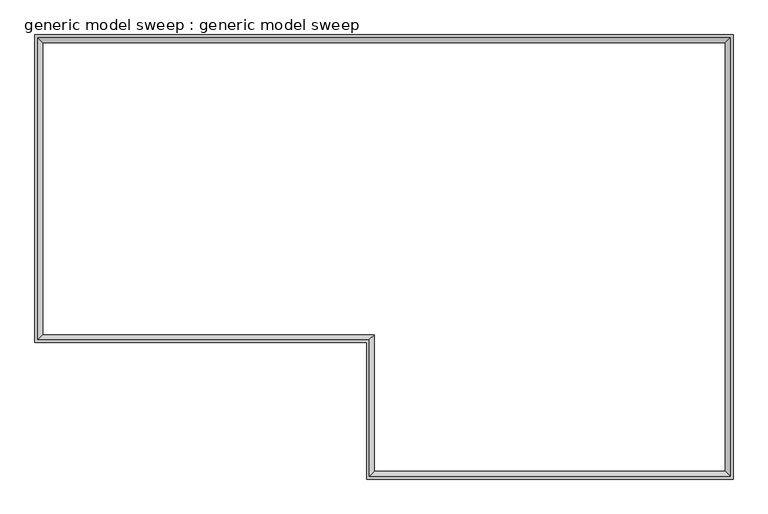
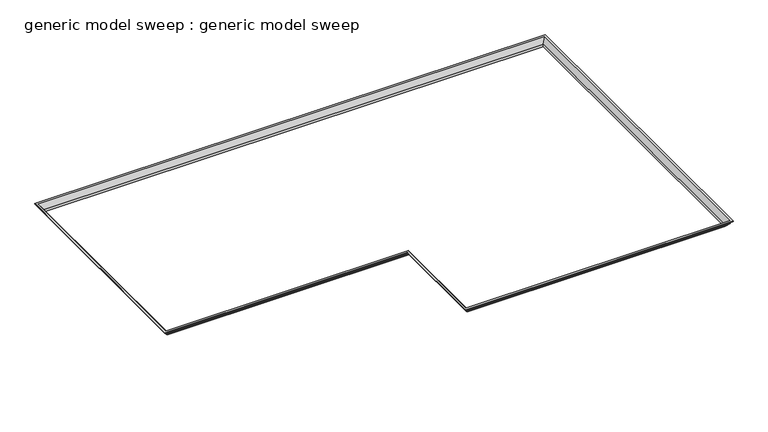
"""IFC4 building model written with IfcOpenShell, lengths in millimetres: proxy geometry, generic model sweep : generic model sweep."""

from ifc_helpers import new_model, si_unit, frame, origin, place, context, project, spatial, polyline, ellipse_curve, source, transform, mapped, element, save
from ifc_brep_helpers import plane_surface, cylinder_surface, revolved_surface, advanced_brep


def generic_model_sweep_generic_model_sweep_c4ae6101(model_context):
    return source(origin(), model_context, "Body", "AdvancedBrep", [
        advanced_brep(
        [(-2935.1800097, -4672.923027, 2466.4472073), (-2972.3183668, -4710.061384, 2514.6778301), (-381.5183668, -4710.061384, 2514.6778301), (-344.3800097, -4672.923027, 2466.4472073), (-2935.1800097, -4672.923027, 2438.4), (-344.3800097, -4672.923027, 2438.4), (-2939.8014379, -4677.5444552, 2441.3317669), (-2939.8014379, -4677.5444552, 2438.4), (-349.0014379, -4677.5444552, 2438.4), (-349.0014379, -4677.5444552, 2441.3317669), (-2942.8448516, -4680.5878688, 2447.1954176), (-352.0448516, -4680.5878688, 2447.1954176), (-2949.4774395, -4687.2204567, 2455.8089878), (-358.6774395, -4687.2204567, 2455.8089878), (-2953.6819274, -4691.4249446, 2461.1536248), (-2953.7338171, -4691.4768343, 2455.8089878), (-362.9338171, -4691.4768343, 2455.8089878), (-362.8819274, -4691.4249446, 2461.1536248), (-2964.4500559, -4702.1930731, 2475.1379145), (-373.6500559, -4702.1930731, 2475.1379145), (-2968.2629276, -4706.0059448, 2475.2157282), (-377.4629276, -4706.0059448, 2475.2157282), (-2968.2629276, -4706.0059448, 2481.0792621), (-377.4629276, -4706.0059448, 2481.0792621), (-2977.60307, -4715.3460873, 2488.4475967), (-386.80307, -4715.3460873, 2488.4475967), (-2979.7046021, -4717.4476193, 2497.2428975), (-388.9046021, -4717.4476193, 2497.2428975), (-2991.3797802, -4729.1227974, 2504.6631218), (-400.5797802, -4729.1227974, 2504.6631218), (-2991.3797802, -4729.1227974, 2509.8520898), (-400.5797802, -4729.1227974, 2509.8520898), (-2995.5050097, -4733.248027, 2514.6778301), (-2995.5050097, -4733.248027, 2509.8520898), (-404.7050097, -4733.248027, 2509.8520898), (-404.7050097, -4733.248027, 2514.6778301), (-381.5183668, -5776.861384, 2514.6778301), (-344.3800097, -5739.723027, 2466.4472073), (-344.3800097, -5739.723027, 2438.4), (-349.0014379, -5744.3444552, 2438.4), (-349.0014379, -5744.3444552, 2441.3317669), (-352.0448516, -5747.3878688, 2447.1954176), (-358.6774395, -5754.0204567, 2455.8089878), (-362.9338171, -5758.2768343, 2455.8089878), (-362.8819274, -5758.2249446, 2461.1536248), (-373.6500559, -5768.9930731, 2475.1379145), (-377.4629276, -5772.8059448, 2475.2157282), (-377.4629276, -5772.8059448, 2481.0792621), (-386.80307, -5782.1460873, 2488.4475967), (-388.9046021, -5784.2476193, 2497.2428975), (-400.5797802, -5795.9227974, 2504.6631218), (-400.5797802, -5795.9227974, 2509.8520898), (-404.7050097, -5800.048027, 2509.8520898), (-404.7050097, -5800.048027, 2514.6778301), (2435.9583473, -5776.861384, 2514.6778301), (2398.8199903, -5739.723027, 2466.4472073), (2398.8199903, -5739.723027, 2438.4), (2403.4414184, -5744.3444552, 2438.4), (2403.4414184, -5744.3444552, 2441.3317669), (2406.4848321, -5747.3878688, 2447.1954176), (2413.11742, -5754.0204567, 2455.8089878), (2417.3737976, -5758.2768343, 2455.8089878), (2417.3219079, -5758.2249446, 2461.1536248), (2428.0900364, -5768.9930731, 2475.1379145), (2431.9029081, -5772.8059448, 2475.2157282), (2431.9029081, -5772.8059448, 2481.0792621), (2441.2430505, -5782.1460873, 2488.4475967), (2443.3445826, -5784.2476193, 2497.2428975), (2455.0197607, -5795.9227974, 2504.6631218), (2455.0197607, -5795.9227974, 2509.8520898), (2459.1449903, -5800.048027, 2509.8520898), (2459.1449903, -5800.048027, 2514.6778301), (2435.9583473, -2349.78467, 2514.6778301), (2398.8199903, -2386.923027, 2466.4472073), (2398.8199903, -2386.923027, 2438.4), (2403.4414184, -2382.3015989, 2438.4), (2403.4414184, -2382.3015989, 2441.3317669), (2406.4848321, -2379.2581852, 2447.1954176), (2413.11742, -2372.6255973, 2455.8089878), (2417.3737976, -2368.3692197, 2455.8089878), (2417.3219079, -2368.4211094, 2461.1536248), (2428.0900364, -2357.6529809, 2475.1379145), (2431.9029081, -2353.8401092, 2475.2157282), (2431.9029081, -2353.8401092, 2481.0792621), (2441.2430505, -2344.4999667, 2488.4475967), (2443.3445826, -2342.3984347, 2497.2428975), (2455.0197607, -2330.7232566, 2504.6631218), (2455.0197607, -2330.7232566, 2509.8520898), (2459.1449903, -2326.598027, 2509.8520898), (2459.1449903, -2326.598027, 2514.6778301), (-2972.3183668, -2349.78467, 2514.6778301), (-2935.1800097, -2386.923027, 2466.4472073), (-2935.1800097, -2386.923027, 2438.4), (-2939.8014379, -2382.3015989, 2438.4), (-2939.8014379, -2382.3015989, 2441.3317669), (-2942.8448516, -2379.2581852, 2447.1954176), (-2949.4774395, -2372.6255973, 2455.8089878), (-2953.7338171, -2368.3692197, 2455.8089878), (-2953.6819274, -2368.4211094, 2461.1536248), (-2964.4500559, -2357.6529809, 2475.1379145), (-2968.2629276, -2353.8401092, 2475.2157282), (-2968.2629276, -2353.8401092, 2481.0792621), (-2977.60307, -2344.4999667, 2488.4475967), (-2979.7046021, -2342.3984347, 2497.2428975), (-2991.3797802, -2330.7232566, 2504.6631218), (-2991.3797802, -2330.7232566, 2509.8520898), (-2995.5050097, -2326.598027, 2509.8520898), (-2995.5050097, -2326.598027, 2514.6778301)],
        [
            (0, 1),
            (1, 2),
            (2, 3),
            (3, 0),
            (4, 0),
            (3, 5),
            (5, 4),
            (6, 7),
            (7, 8),
            (8, 9),
            (9, 6),
            (10, 6, ellipse_curve(frame((-2944.8968983, -4682.6399156, 2442.408705), z_axis=(-0.7071067811865464, 0.7071067811865486, 0.0), x_axis=(0.7071067811865488, 0.7071067811865461, 0.0)), 7.365258, 5.2080239)),
            (9, 11, ellipse_curve(frame((-354.0968983, -4682.6399156, 2442.408705), z_axis=(0.7071067811865464, -0.7071067811865487, 0.0), x_axis=(0.7071067811865487, 0.7071067811865462, 0.0)), 7.365258, 5.2080239)),
            (11, 10),
            (12, 10, ellipse_curve(frame((-2938.7418955, -4676.4849128, 2457.2151448), z_axis=(0.7071067811865464, -0.7071067811865486, 0.0), x_axis=(-0.7071067811865488, -0.7071067811865461, 0.0)), 15.3120333, 10.8272426)),
            (11, 13, ellipse_curve(frame((-347.9418955, -4676.4849128, 2457.2151448), z_axis=(-0.7071067811865464, 0.7071067811865487, 0.0), x_axis=(-0.7071067811865487, -0.7071067811865462, 0.0)), 15.3120333, 10.8272426)),
            (13, 12),
            (14, 15),
            (15, 16),
            (16, 17),
            (17, 14),
            (18, 14, ellipse_curve(frame((-2950.1833727, -4687.92639, 2474.9855294), z_axis=(0.7071067811865464, -0.7071067811865486, 0.0), x_axis=(-0.7071067811865488, -0.7071067811865461, 0.0)), 20.1772876, 14.2674969)),
            (17, 19, ellipse_curve(frame((-359.3833727, -4687.92639, 2474.9855294), z_axis=(-0.7071067811865464, 0.7071067811865487, 0.0), x_axis=(-0.7071067811865487, -0.7071067811865462, 0.0)), 20.1772876, 14.2674969)),
            (19, 18),
            (20, 18),
            (19, 21),
            (21, 20),
            (22, 20),
            (21, 23),
            (23, 22),
            (24, 22, ellipse_curve(frame((-2968.5430193, -4706.2860366, 2490.3281921), z_axis=(0.7071067811865464, -0.7071067811865486, 0.0), x_axis=(-0.7071067811865488, -0.7071067811865461, 0.0)), 13.0859588, 9.2531702)),
            (23, 25, ellipse_curve(frame((-377.7430193, -4706.2860366, 2490.3281921), z_axis=(-0.7071067811865464, 0.7071067811865487, 0.0), x_axis=(-0.7071067811865487, -0.7071067811865462, 0.0)), 13.0859588, 9.2531702)),
            (25, 24),
            (26, 24),
            (25, 27),
            (27, 26),
            (28, 26, ellipse_curve(frame((-2990.2996678, -4728.042685, 2493.4674695), z_axis=(-0.7071067811865464, 0.7071067811865486, 0.0), x_axis=(0.7071067811865488, 0.7071067811865461, 0.0)), 15.9065567, 11.2476341)),
            (27, 29, ellipse_curve(frame((-399.4996678, -4728.042685, 2493.4674695), z_axis=(0.7071067811865464, -0.7071067811865487, 0.0), x_axis=(0.7071067811865487, 0.7071067811865462, 0.0)), 15.9065567, 11.2476341)),
            (29, 28),
            (30, 28),
            (29, 31),
            (31, 30),
            (32, 33),
            (33, 34),
            (34, 35),
            (35, 32),
            (2, 36),
            (36, 37),
            (37, 3),
            (37, 38),
            (38, 5),
            (8, 39),
            (39, 40),
            (40, 9),
            (40, 41, ellipse_curve(frame((-354.0968983, -5749.4399156, 2442.408705), z_axis=(0.7071067811865464, -0.7071067811865487, 0.0), x_axis=(-0.7071067811865486, -0.7071067811865465, 0.0)), 7.365258, 5.2080239)),
            (41, 11),
            (41, 42, ellipse_curve(frame((-347.9418955, -5743.2849128, 2457.2151448), z_axis=(-0.7071067811865464, 0.7071067811865487, 0.0), x_axis=(0.7071067811865486, 0.7071067811865465, 0.0)), 15.3120333, 10.8272426)),
            (42, 13),
            (16, 43),
            (43, 44),
            (44, 17),
            (44, 45, ellipse_curve(frame((-359.3833727, -5754.72639, 2474.9855294), z_axis=(-0.7071067811865464, 0.7071067811865487, 0.0), x_axis=(0.7071067811865486, 0.7071067811865465, 0.0)), 20.1772876, 14.2674969)),
            (45, 19),
            (45, 46),
            (46, 21),
            (46, 47),
            (47, 23),
            (47, 48, ellipse_curve(frame((-377.7430193, -5773.0860366, 2490.3281921), z_axis=(-0.7071067811865464, 0.7071067811865487, 0.0), x_axis=(0.7071067811865486, 0.7071067811865465, 0.0)), 13.0859588, 9.2531702)),
            (48, 25),
            (48, 49),
            (49, 27),
            (49, 50, ellipse_curve(frame((-399.4996678, -5794.842685, 2493.4674695), z_axis=(0.7071067811865464, -0.7071067811865487, 0.0), x_axis=(-0.7071067811865486, -0.7071067811865465, 0.0)), 15.9065567, 11.2476341)),
            (50, 29),
            (50, 51),
            (51, 31),
            (34, 52),
            (52, 53),
            (53, 35),
            (36, 54),
            (54, 55),
            (55, 37),
            (55, 56),
            (56, 38),
            (39, 57),
            (57, 58),
            (58, 40),
            (58, 59, ellipse_curve(frame((2408.5368788, -5749.4399156, 2442.408705), z_axis=(0.7071067811865486, 0.7071067811865464, 0.0), x_axis=(0.7071067811865466, -0.7071067811865483, 0.0)), 7.365258, 5.2080239)),
            (59, 41),
            (59, 60, ellipse_curve(frame((2402.381876, -5743.2849128, 2457.2151448), z_axis=(-0.7071067811865486, -0.7071067811865464, 0.0), x_axis=(-0.7071067811865466, 0.7071067811865483, 0.0)), 15.3120333, 10.8272426)),
            (60, 42),
            (43, 61),
            (61, 62),
            (62, 44),
            (62, 63, ellipse_curve(frame((2413.8233533, -5754.72639, 2474.9855294), z_axis=(-0.7071067811865486, -0.7071067811865464, 0.0), x_axis=(-0.7071067811865466, 0.7071067811865483, 0.0)), 20.1772876, 14.2674969)),
            (63, 45),
            (63, 64),
            (64, 46),
            (64, 65),
            (65, 47),
            (65, 66, ellipse_curve(frame((2432.1829998, -5773.0860366, 2490.3281921), z_axis=(-0.7071067811865486, -0.7071067811865464, 0.0), x_axis=(-0.7071067811865466, 0.7071067811865483, 0.0)), 13.0859588, 9.2531702)),
            (66, 48),
            (66, 67),
            (67, 49),
            (67, 68, ellipse_curve(frame((2453.9396483, -5794.842685, 2493.4674695), z_axis=(0.7071067811865486, 0.7071067811865464, 0.0), x_axis=(0.7071067811865466, -0.7071067811865483, 0.0)), 15.9065567, 11.2476341)),
            (68, 50),
            (68, 69),
            (69, 51),
            (52, 70),
            (70, 71),
            (71, 53),
            (54, 72),
            (72, 73),
            (73, 55),
            (73, 74),
            (74, 56),
            (57, 75),
            (75, 76),
            (76, 58),
            (76, 77, ellipse_curve(frame((2408.5368788, -2377.2061384, 2442.408705), z_axis=(-0.7071067811865458, 0.7071067811865491, 0.0), x_axis=(0.7071067811865489, 0.707106781186546, 0.0)), 7.365258, 5.2080239)),
            (77, 59),
            (77, 78, ellipse_curve(frame((2402.381876, -2383.3611412, 2457.2151448), z_axis=(0.7071067811865458, -0.7071067811865491, 0.0), x_axis=(-0.7071067811865489, -0.707106781186546, 0.0)), 15.3120333, 10.8272426)),
            (78, 60),
            (61, 79),
            (79, 80),
            (80, 62),
            (80, 81, ellipse_curve(frame((2413.8233533, -2371.919664, 2474.9855294), z_axis=(0.7071067811865458, -0.7071067811865491, 0.0), x_axis=(-0.7071067811865489, -0.707106781186546, 0.0)), 20.1772876, 14.2674969)),
            (81, 63),
            (81, 82),
            (82, 64),
            (82, 83),
            (83, 65),
            (83, 84, ellipse_curve(frame((2432.1829998, -2353.5600174, 2490.3281921), z_axis=(0.7071067811865458, -0.7071067811865491, 0.0), x_axis=(-0.7071067811865489, -0.707106781186546, 0.0)), 13.0859588, 9.2531702)),
            (84, 66),
            (84, 85),
            (85, 67),
            (85, 86, ellipse_curve(frame((2453.9396483, -2331.803369, 2493.4674695), z_axis=(-0.7071067811865458, 0.7071067811865491, 0.0), x_axis=(0.7071067811865489, 0.707106781186546, 0.0)), 15.9065567, 11.2476341)),
            (86, 68),
            (86, 87),
            (87, 69),
            (70, 88),
            (88, 89),
            (89, 71),
            (72, 90),
            (90, 91),
            (91, 73),
            (91, 92),
            (92, 74),
            (75, 93),
            (93, 94),
            (94, 76),
            (94, 95, ellipse_curve(frame((-2944.8968983, -2377.2061384, 2442.408705), z_axis=(-0.7071067811865492, -0.7071067811865458, 0.0), x_axis=(-0.7071067811865457, 0.7071067811865492, 0.0)), 7.365258, 5.2080239)),
            (95, 77),
            (95, 96, ellipse_curve(frame((-2938.7418955, -2383.3611412, 2457.2151448), z_axis=(0.7071067811865492, 0.7071067811865458, 0.0), x_axis=(0.7071067811865457, -0.7071067811865492, 0.0)), 15.3120333, 10.8272426)),
            (96, 78),
            (79, 97),
            (97, 98),
            (98, 80),
            (98, 99, ellipse_curve(frame((-2950.1833727, -2371.919664, 2474.9855294), z_axis=(0.7071067811865492, 0.7071067811865458, 0.0), x_axis=(0.7071067811865457, -0.7071067811865492, 0.0)), 20.1772876, 14.2674969)),
            (99, 81),
            (99, 100),
            (100, 82),
            (100, 101),
            (101, 83),
            (101, 102, ellipse_curve(frame((-2968.5430193, -2353.5600174, 2490.3281921), z_axis=(0.7071067811865492, 0.7071067811865458, 0.0), x_axis=(0.7071067811865457, -0.7071067811865492, 0.0)), 13.0859588, 9.2531702)),
            (102, 84),
            (102, 103),
            (103, 85),
            (103, 104, ellipse_curve(frame((-2990.2996678, -2331.803369, 2493.4674695), z_axis=(-0.7071067811865492, -0.7071067811865458, 0.0), x_axis=(-0.7071067811865457, 0.7071067811865492, 0.0)), 15.9065567, 11.2476341)),
            (104, 86),
            (104, 105),
            (105, 87),
            (88, 106),
            (106, 107),
            (107, 89),
            (90, 1),
            (0, 91),
            (4, 92),
            (7, 93),
            (6, 94),
            (10, 95),
            (12, 96),
            (15, 97),
            (14, 98),
            (18, 99),
            (20, 100),
            (22, 101),
            (24, 102),
            (26, 103),
            (28, 104),
            (30, 105),
            (33, 106),
            (32, 107),
        ],
        [
            plane_surface(frame((-2972.3183668, -4710.061384, 2514.6778301), z_axis=(0.0, 0.7923231761643797, 0.6101016181856833), x_axis=(1.0, 0.0, 0.0))),
            plane_surface(frame((-2935.1800097, -4672.923027, 2466.4472073), z_axis=(0.0, 1.0, 0.0), x_axis=(1.0, 0.0, 0.0))),
            plane_surface(frame((-2939.8014379, -4677.5444552, 2438.4), z_axis=(0.0, -1.0, 0.0), x_axis=(1.0, 0.0, 0.0))),
            revolved_surface(polyline([(-348.8888744230112, -4687.8479394999995, 2442.408705), (-2950.1049221769886, -4687.8479394999995, 2442.408705)]), (-2935.1800097, -4682.6399156, 2442.408705), (1.0, 0.0, 0.0)),
            cylinder_surface(frame((-2935.1800097, -4676.4849128, 2457.2151448), z_axis=(-1.0, 0.0, 0.0), x_axis=(0.0, -1.0, 0.0)), 10.8272426),
            plane_surface(frame((-2953.7338171, -4691.4768343, 2455.8089878), z_axis=(0.0, -0.9999528735361081, 0.009708280325592662), x_axis=(1.0, 0.0, 0.0))),
            cylinder_surface(frame((-2935.1800097, -4687.92639, 2474.9855294), z_axis=(-1.0, 0.0, 0.0), x_axis=(0.0, -1.0, 0.0)), 14.2674969),
            plane_surface(frame((-2964.4500559, -4702.1930731, 2475.1379145), z_axis=(0.0, -0.020403914662521092, -0.9997918184634462), x_axis=(1.0, 0.0, 0.0))),
            plane_surface(frame((-2968.2629276, -4706.0059448, 2475.2157282), z_axis=(0.0, -1.0, 0.0), x_axis=(1.0, 0.0, 0.0))),
            cylinder_surface(frame((-2935.1800097, -4706.2860366, 2490.3281921), z_axis=(-1.0, 0.0, 0.0), x_axis=(0.0, -1.0, 0.0)), 9.2531702),
            plane_surface(frame((-2977.60307, -4715.3460873, 2488.4475967), z_axis=(0.0, -0.9726212000643615, -0.2323962159445833), x_axis=(1.0, 0.0, 0.0))),
            revolved_surface(polyline([(-388.25203369210203, -4739.2903191000005, 2493.4674695), (-3001.547301907898, -4739.2903191000005, 2493.4674695)]), (-2935.1800097, -4728.042685, 2493.4674695), (1.0, 0.0, 0.0)),
            plane_surface(frame((-2991.3797802, -4729.1227974, 2504.6631218), z_axis=(0.0, -1.0, 0.0), x_axis=(1.0, 0.0, 0.0))),
            plane_surface(frame((-2995.5050097, -4733.248027, 2509.8520898), z_axis=(0.0, -1.0, 0.0), x_axis=(1.0, 0.0, 0.0))),
            plane_surface(frame((-381.5183668, -4710.061384, 2514.6778301), z_axis=(0.7923231761643817, 0.0, 0.6101016181856808), x_axis=(0.0, -1.0, 0.0))),
            plane_surface(frame((-344.3800097, -4672.923027, 2466.4472073), z_axis=(1.0, 0.0, 0.0), x_axis=(0.0, -1.0, 0.0))),
            plane_surface(frame((-349.0014379, -4677.5444552, 2438.4), z_axis=(-1.0, 0.0, 0.0), x_axis=(0.0, -1.0, 0.0))),
            revolved_surface(polyline([(-359.3049222, -5754.6479394769885, 2442.408705), (-359.3049222, -4677.431891723011, 2442.408705)]), (-354.0968983, -4672.923027, 2442.408705), (0.0, -1.0, 0.0)),
            cylinder_surface(frame((-347.9418955, -4672.923027, 2457.2151448), z_axis=(0.0, 1.0, 0.0), x_axis=(-1.0, 0.0, 0.0)), 10.8272426),
            plane_surface(frame((-362.9338171, -4691.4768343, 2455.8089878), z_axis=(-0.9999528735361081, 0.0, 0.00970828032559593), x_axis=(0.0, -1.0, 0.0))),
            cylinder_surface(frame((-359.3833727, -4672.923027, 2474.9855294), z_axis=(0.0, 1.0, 0.0), x_axis=(-1.0, 0.0, 0.0)), 14.2674969),
            plane_surface(frame((-373.6500559, -4702.1930731, 2475.1379145), z_axis=(-0.02040391466252436, 0.0, -0.9997918184634461), x_axis=(0.0, -1.0, 0.0))),
            plane_surface(frame((-377.4629276, -4706.0059448, 2475.2157282), z_axis=(-1.0, 0.0, 0.0), x_axis=(0.0, -1.0, 0.0))),
            cylinder_surface(frame((-377.7430193, -4672.923027, 2490.3281921), z_axis=(0.0, 1.0, 0.0), x_axis=(-1.0, 0.0, 0.0)), 9.2531702),
            plane_surface(frame((-386.80307, -4715.3460873, 2488.4475967), z_axis=(-0.9726212000643623, 0.0, -0.2323962159445801), x_axis=(0.0, -1.0, 0.0))),
            revolved_surface(polyline([(-410.7473019, -5806.090319107898, 2493.4674695), (-410.7473019, -4716.795050892102, 2493.4674695)]), (-399.4996678, -4672.923027, 2493.4674695), (0.0, -1.0, 0.0)),
            plane_surface(frame((-400.5797802, -4729.1227974, 2504.6631218), z_axis=(-1.0, 0.0, 0.0), x_axis=(0.0, -1.0, 0.0))),
            plane_surface(frame((-404.7050097, -4733.248027, 2509.8520898), z_axis=(-1.0, 0.0, 0.0), x_axis=(0.0, -1.0, 0.0))),
            plane_surface(frame((-381.5183668, -5776.861384, 2514.6778301), z_axis=(0.0, 0.7923231761643797, 0.6101016181856834), x_axis=(1.0, 0.0, 0.0))),
            plane_surface(frame((-344.3800097, -5739.723027, 2466.4472073), z_axis=(0.0, 1.0, 0.0), x_axis=(1.0, 0.0, 0.0))),
            plane_surface(frame((-349.0014379, -5744.3444552, 2438.4), z_axis=(0.0, -1.0, 0.0), x_axis=(1.0, 0.0, 0.0))),
            revolved_surface(polyline([(2413.7449026769887, -5754.6479395, 2442.408705), (-359.3049221769885, -5754.6479395, 2442.408705)]), (-344.3800097, -5749.4399156, 2442.408705), (1.0, 0.0, 0.0)),
            cylinder_surface(frame((-344.3800097, -5743.2849128, 2457.2151448), z_axis=(-1.0, 0.0, 0.0), x_axis=(0.0, -1.0, 0.0)), 10.8272426),
            plane_surface(frame((-362.9338171, -5758.2768343, 2455.8089878), z_axis=(0.0, -0.9999528735361081, 0.009708280325592658), x_axis=(1.0, 0.0, 0.0))),
            cylinder_surface(frame((-344.3800097, -5754.72639, 2474.9855294), z_axis=(-1.0, 0.0, 0.0), x_axis=(0.0, -1.0, 0.0)), 14.2674969),
            plane_surface(frame((-373.6500559, -5768.9930731, 2475.1379145), z_axis=(0.0, -0.020403914662521085, -0.9997918184634462), x_axis=(1.0, 0.0, 0.0))),
            plane_surface(frame((-377.4629276, -5772.8059448, 2475.2157282), z_axis=(0.0, -1.0, 0.0), x_axis=(1.0, 0.0, 0.0))),
            cylinder_surface(frame((-344.3800097, -5773.0860366, 2490.3281921), z_axis=(-1.0, 0.0, 0.0), x_axis=(0.0, -1.0, 0.0)), 9.2531702),
            plane_surface(frame((-386.80307, -5782.1460873, 2488.4475967), z_axis=(0.0, -0.9726212000643615, -0.23239621594458335), x_axis=(1.0, 0.0, 0.0))),
            revolved_surface(polyline([(2465.1872824078982, -5806.0903191, 2493.4674695), (-410.7473019078983, -5806.0903191, 2493.4674695)]), (-344.3800097, -5794.842685, 2493.4674695), (1.0, 0.0, 0.0)),
            plane_surface(frame((-400.5797802, -5795.9227974, 2504.6631218), z_axis=(0.0, -1.0, 0.0), x_axis=(1.0, 0.0, 0.0))),
            plane_surface(frame((-404.7050097, -5800.048027, 2509.8520898), z_axis=(0.0, -1.0, 0.0), x_axis=(1.0, 0.0, 0.0))),
            plane_surface(frame((2435.9583473, -5776.861384, 2514.6778301), z_axis=(-0.7923231761643778, 0.0, 0.610101618185686), x_axis=(0.0, 1.0, 0.0))),
            plane_surface(frame((2398.8199903, -5739.723027, 2466.4472073), z_axis=(-1.0, 0.0, 0.0), x_axis=(0.0, 1.0, 0.0))),
            plane_surface(frame((2403.4414184, -5744.3444552, 2438.4), z_axis=(1.0, 0.0, 0.0), x_axis=(0.0, 1.0, 0.0))),
            revolved_surface(polyline([(2413.7449027000002, -2371.9981145230113, 2442.408705), (2413.7449027000002, -5754.6479394769885, 2442.408705)]), (2408.5368788, -5739.723027, 2442.408705), (0.0, 1.0, 0.0)),
            cylinder_surface(frame((2402.381876, -5739.723027, 2457.2151448), z_axis=(0.0, -1.0, 0.0), x_axis=(1.0, 0.0, 0.0)), 10.8272426),
            plane_surface(frame((2417.3737976, -5758.2768343, 2455.8089878), z_axis=(0.9999528735361082, 0.0, 0.009708280325589387), x_axis=(0.0, 1.0, 0.0))),
            cylinder_surface(frame((2413.8233533, -5739.723027, 2474.9855294), z_axis=(0.0, -1.0, 0.0), x_axis=(1.0, 0.0, 0.0)), 14.2674969),
            plane_surface(frame((2428.0900364, -5768.9930731, 2475.1379145), z_axis=(0.020403914662517814, 0.0, -0.9997918184634463), x_axis=(0.0, 1.0, 0.0))),
            plane_surface(frame((2431.9029081, -5772.8059448, 2475.2157282), z_axis=(1.0, 0.0, 0.0), x_axis=(0.0, 1.0, 0.0))),
            cylinder_surface(frame((2432.1829998, -5739.723027, 2490.3281921), z_axis=(0.0, -1.0, 0.0), x_axis=(1.0, 0.0, 0.0)), 9.2531702),
            plane_surface(frame((2441.2430505, -5782.1460873, 2488.4475967), z_axis=(0.9726212000643607, 0.0, -0.23239621594458654), x_axis=(0.0, 1.0, 0.0))),
            revolved_surface(polyline([(2465.1872824, -2320.555734892102, 2493.4674695), (2465.1872824, -5806.090319107898, 2493.4674695)]), (2453.9396483, -5739.723027, 2493.4674695), (0.0, 1.0, 0.0)),
            plane_surface(frame((2455.0197607, -5795.9227974, 2504.6631218), z_axis=(1.0, 0.0, 0.0), x_axis=(0.0, 1.0, 0.0))),
            plane_surface(frame((2459.1449903, -5800.048027, 2509.8520898), z_axis=(1.0, 0.0, 0.0), x_axis=(0.0, 1.0, 0.0))),
            plane_surface(frame((2435.9583473, -2349.78467, 2514.6778301), z_axis=(0.0, -0.7923231761643797, 0.6101016181856834), x_axis=(-1.0, 0.0, 0.0))),
            plane_surface(frame((2398.8199903, -2386.923027, 2466.4472073), z_axis=(0.0, -1.0, 0.0), x_axis=(-1.0, 0.0, 0.0))),
            plane_surface(frame((2403.4414184, -2382.3015989, 2438.4), z_axis=(0.0, 1.0, 0.0), x_axis=(-1.0, 0.0, 0.0))),
            revolved_surface(polyline([(-2950.1049221769886, -2371.9981144999997, 2442.408705), (2413.7449026769887, -2371.9981144999997, 2442.408705)]), (2398.8199903, -2377.2061384, 2442.408705), (-1.0, 0.0, 0.0)),
            cylinder_surface(frame((2398.8199903, -2383.3611412, 2457.2151448), z_axis=(1.0, 0.0, 0.0), x_axis=(0.0, 1.0, 0.0)), 10.8272426),
            plane_surface(frame((2417.3737976, -2368.3692197, 2455.8089878), z_axis=(0.0, 0.9999528735361082, 0.009708280325592634), x_axis=(-1.0, 0.0, 0.0))),
            cylinder_surface(frame((2398.8199903, -2371.919664, 2474.9855294), z_axis=(1.0, 0.0, 0.0), x_axis=(0.0, 1.0, 0.0)), 14.2674969),
            plane_surface(frame((2428.0900364, -2357.6529809, 2475.1379145), z_axis=(0.0, 0.02040391466252106, -0.9997918184634462), x_axis=(-1.0, 0.0, 0.0))),
            plane_surface(frame((2431.9029081, -2353.8401092, 2475.2157282), z_axis=(0.0, 1.0, 0.0), x_axis=(-1.0, 0.0, 0.0))),
            cylinder_surface(frame((2398.8199903, -2353.5600174, 2490.3281921), z_axis=(1.0, 0.0, 0.0), x_axis=(0.0, 1.0, 0.0)), 9.2531702),
            plane_surface(frame((2441.2430505, -2344.4999667, 2488.4475967), z_axis=(0.0, 0.9726212000643615, -0.23239621594458337), x_axis=(-1.0, 0.0, 0.0))),
            revolved_surface(polyline([(-3001.5473019078986, -2320.5557349, 2493.4674695), (2465.1872824078982, -2320.5557349, 2493.4674695)]), (2398.8199903, -2331.803369, 2493.4674695), (-1.0, 0.0, 0.0)),
            plane_surface(frame((2455.0197607, -2330.7232566, 2504.6631218), z_axis=(0.0, 1.0, 0.0), x_axis=(-1.0, 0.0, 0.0))),
            plane_surface(frame((2459.1449903, -2326.598027, 2509.8520898), z_axis=(0.0, 1.0, 0.0), x_axis=(-1.0, 0.0, 0.0))),
            plane_surface(frame((-2972.3183668, -2349.78467, 2514.6778301), z_axis=(0.7923231761643817, 0.0, 0.6101016181856808), x_axis=(0.0, -1.0, 0.0))),
            plane_surface(frame((-2935.1800097, -2386.923027, 2466.4472073), z_axis=(1.0, 0.0, 0.0), x_axis=(0.0, -1.0, 0.0))),
            plane_surface(frame((-2935.1800097, -2386.923027, 2438.4), z_axis=(0.0, 0.0, -1.0), x_axis=(0.0, -1.0, 0.0))),
            plane_surface(frame((-2939.8014379, -2382.3015989, 2438.4), z_axis=(-1.0, 0.0, 0.0), x_axis=(0.0, -1.0, 0.0))),
            revolved_surface(polyline([(-2950.1049222, -4687.847939476988, 2442.408705), (-2950.1049222, -2371.9981145230113, 2442.408705)]), (-2944.8968983, -2386.923027, 2442.408705), (0.0, -1.0, 0.0)),
            cylinder_surface(frame((-2938.7418955, -2386.923027, 2457.2151448), z_axis=(0.0, 1.0, 0.0), x_axis=(-1.0, 0.0, 0.0)), 10.8272426),
            plane_surface(frame((-2949.4774395, -2372.6255973, 2455.8089878), z_axis=(0.0, 0.0, -1.0), x_axis=(0.0, -1.0, 0.0))),
            plane_surface(frame((-2953.7338171, -2368.3692197, 2455.8089878), z_axis=(-0.9999528735361082, 0.0, 0.00970828032559588), x_axis=(0.0, -1.0, 0.0))),
            cylinder_surface(frame((-2950.1833727, -2386.923027, 2474.9855294), z_axis=(0.0, 1.0, 0.0), x_axis=(-1.0, 0.0, 0.0)), 14.2674969),
            plane_surface(frame((-2964.4500559, -2357.6529809, 2475.1379145), z_axis=(-0.020403914662524312, 0.0, -0.9997918184634461), x_axis=(0.0, -1.0, 0.0))),
            plane_surface(frame((-2968.2629276, -2353.8401092, 2475.2157282), z_axis=(-1.0, 0.0, 0.0), x_axis=(0.0, -1.0, 0.0))),
            cylinder_surface(frame((-2968.5430193, -2386.923027, 2490.3281921), z_axis=(0.0, 1.0, 0.0), x_axis=(-1.0, 0.0, 0.0)), 9.2531702),
            plane_surface(frame((-2977.60307, -2344.4999667, 2488.4475967), z_axis=(-0.9726212000643623, 0.0, -0.23239621594458018), x_axis=(0.0, -1.0, 0.0))),
            revolved_surface(polyline([(-3001.5473019, -4739.2903191078985, 2493.4674695), (-3001.5473019, -2320.555734892102, 2493.4674695)]), (-2990.2996678, -2386.923027, 2493.4674695), (0.0, -1.0, 0.0)),
            plane_surface(frame((-2991.3797802, -2330.7232566, 2504.6631218), z_axis=(-1.0, 0.0, 0.0), x_axis=(0.0, -1.0, 0.0))),
            plane_surface(frame((-2991.3797802, -2330.7232566, 2509.8520898), z_axis=(0.0, 0.0, -1.0), x_axis=(0.0, -1.0, 0.0))),
            plane_surface(frame((-2995.5050097, -2326.598027, 2509.8520898), z_axis=(-1.0, 0.0, 0.0), x_axis=(0.0, -1.0, 0.0))),
            plane_surface(frame((-2995.5050097, -2326.598027, 2514.6778301), z_axis=(0.0, 0.0, 1.0), x_axis=(0.0, -1.0, 0.0))),
        ],
        [
            (0, [[1, 2, 3, 4]]),
            (1, [[5, -4, 6, 7]]),
            (2, [[8, 9, 10, 11]]),
            (3, [[12, -11, 13, 14]]),
            (4, [[15, -14, 16, 17]]),
            (5, [[18, 19, 20, 21]]),
            (6, [[22, -21, 23, 24]]),
            (7, [[25, -24, 26, 27]]),
            (8, [[28, -27, 29, 30]]),
            (9, [[31, -30, 32, 33]]),
            (10, [[34, -33, 35, 36]]),
            (11, [[37, -36, 38, 39]]),
            (12, [[40, -39, 41, 42]]),
            (13, [[43, 44, 45, 46]]),
            (14, [[-3, 47, 48, 49]]),
            (15, [[-6, -49, 50, 51]]),
            (16, [[-10, 52, 53, 54]]),
            (17, [[-13, -54, 55, 56]]),
            (18, [[-16, -56, 57, 58]]),
            (19, [[-20, 59, 60, 61]]),
            (20, [[-23, -61, 62, 63]]),
            (21, [[-26, -63, 64, 65]]),
            (22, [[-29, -65, 66, 67]]),
            (23, [[-32, -67, 68, 69]]),
            (24, [[-35, -69, 70, 71]]),
            (25, [[-38, -71, 72, 73]]),
            (26, [[-41, -73, 74, 75]]),
            (27, [[-45, 76, 77, 78]]),
            (28, [[-48, 79, 80, 81]]),
            (29, [[-50, -81, 82, 83]]),
            (30, [[-53, 84, 85, 86]]),
            (31, [[-55, -86, 87, 88]]),
            (32, [[-57, -88, 89, 90]]),
            (33, [[-60, 91, 92, 93]]),
            (34, [[-62, -93, 94, 95]]),
            (35, [[-64, -95, 96, 97]]),
            (36, [[-66, -97, 98, 99]]),
            (37, [[-68, -99, 100, 101]]),
            (38, [[-70, -101, 102, 103]]),
            (39, [[-72, -103, 104, 105]]),
            (40, [[-74, -105, 106, 107]]),
            (41, [[-77, 108, 109, 110]]),
            (42, [[-80, 111, 112, 113]]),
            (43, [[-82, -113, 114, 115]]),
            (44, [[-85, 116, 117, 118]]),
            (45, [[-87, -118, 119, 120]]),
            (46, [[-89, -120, 121, 122]]),
            (47, [[-92, 123, 124, 125]]),
            (48, [[-94, -125, 126, 127]]),
            (49, [[-96, -127, 128, 129]]),
            (50, [[-98, -129, 130, 131]]),
            (51, [[-100, -131, 132, 133]]),
            (52, [[-102, -133, 134, 135]]),
            (53, [[-104, -135, 136, 137]]),
            (54, [[-106, -137, 138, 139]]),
            (55, [[-109, 140, 141, 142]]),
            (56, [[-112, 143, 144, 145]]),
            (57, [[-114, -145, 146, 147]]),
            (58, [[-117, 148, 149, 150]]),
            (59, [[-119, -150, 151, 152]]),
            (60, [[-121, -152, 153, 154]]),
            (61, [[-124, 155, 156, 157]]),
            (62, [[-126, -157, 158, 159]]),
            (63, [[-128, -159, 160, 161]]),
            (64, [[-130, -161, 162, 163]]),
            (65, [[-132, -163, 164, 165]]),
            (66, [[-134, -165, 166, 167]]),
            (67, [[-136, -167, 168, 169]]),
            (68, [[-138, -169, 170, 171]]),
            (69, [[-141, 172, 173, 174]]),
            (70, [[-144, 175, -1, 176]]),
            (71, [[-146, -176, -5, 177]]),
            (72, [[178, -148, -116, -84, -52, -9], [-115, -147, -177, -7, -51, -83]]),
            (73, [[-149, -178, -8, 179]]),
            (74, [[-151, -179, -12, 180]]),
            (75, [[-153, -180, -15, 181]]),
            (76, [[182, -155, -123, -91, -59, -19], [-122, -154, -181, -17, -58, -90]]),
            (77, [[-156, -182, -18, 183]]),
            (78, [[-158, -183, -22, 184]]),
            (79, [[-160, -184, -25, 185]]),
            (80, [[-162, -185, -28, 186]]),
            (81, [[-164, -186, -31, 187]]),
            (82, [[-166, -187, -34, 188]]),
            (83, [[-168, -188, -37, 189]]),
            (84, [[-170, -189, -40, 190]]),
            (85, [[191, -172, -140, -108, -76, -44], [-139, -171, -190, -42, -75, -107]]),
            (86, [[-173, -191, -43, 192]]),
            (87, [[-142, -174, -192, -46, -78, -110], [-175, -143, -111, -79, -47, -2]]),
        ],
    ),
    ])


if __name__ == "__main__":
    model = new_model("IFC4")
    model_context = context("Model", 3, world=origin())
    ifc_project = project(units=[si_unit("LENGTHUNIT", "METRE", prefix="MILLI")], contexts=[model_context])
    site = spatial("IfcSite", under=ifc_project)
    building = spatial("IfcBuilding", under=site)
    placement = place(None, origin())
    generic_model_sweep_generic_model_sweep_shape = generic_model_sweep_generic_model_sweep_c4ae6101(model_context)
    element("IfcBuildingElementProxy", 1, Name="generic model sweep : generic model sweep", ObjectType="generic model sweep : generic model sweep", at=placement, inside=building, context=model_context, shape_type="MappedRepresentation", body=[
        mapped(generic_model_sweep_generic_model_sweep_shape, transform((0.0, 0.0, 0.0), x_axis=(1.0, 0.0, 0.0), y_axis=(0.0, 1.0, 0.0), z_axis=(0.0, 0.0, 1.0))),
    ])
    save(model, "model.ifc")
